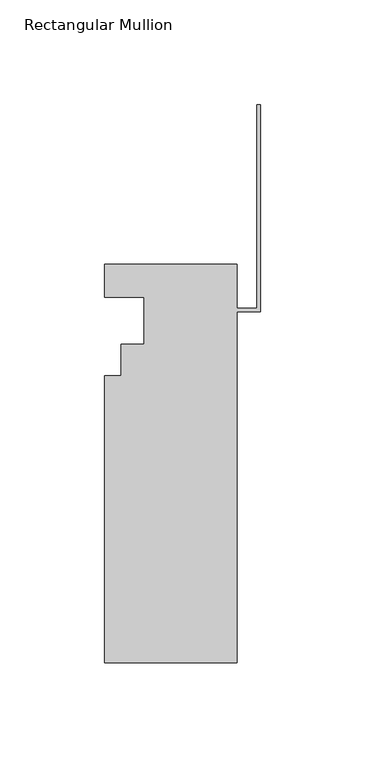
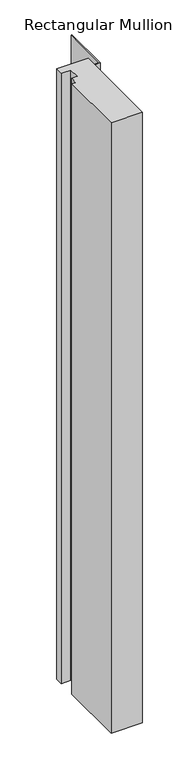
"""IFC4 building model written with IfcOpenShell, lengths in millimetres: member geometry, Rectangular Mullion."""

from ifc_helpers import new_model, si_unit, frame, origin, place, context, project, spatial, polyline, outline, extrude, source, transform, mapped, element, save


def rectangular_mullion_aa0c6634(model_context):
    return source(origin(), model_context, "Body", "SweptSolid", [
        extrude(outline(polyline([(-11.113262, -190.4007812), (-74.613262, -190.4007812), (-74.613262, -53.0629812), (-66.688462, -53.0629812), (-66.688462, -38.0007813), (-55.563262, -38.0007812), (-55.563262, -15.5217812), (-74.613262, -15.5217812), (-74.613262, 0.3532188), (-11.113262, 0.3532188), (-11.113262, -20.9065812), (-1.5748, -20.9065812), (-1.5748, 76.5843863), (0.0, 76.5843863), (0.0, -22.4813812), (-11.113262, -22.4813812), (-11.113262, -190.4007812)])), frame((0.0, 0.0, -1305.6667299), z_axis=(0.0, 0.0, 1.0), x_axis=(1.0, 0.0, 0.0)), (0.0, 0.0, 1.0), 1305.6667299),
    ])


if __name__ == "__main__":
    model = new_model("IFC4")
    model_context = context("Model", 3, world=origin())
    ifc_project = project(units=[si_unit("LENGTHUNIT", "METRE", prefix="MILLI")], contexts=[model_context])
    site = spatial("IfcSite", under=ifc_project)
    building = spatial("IfcBuilding", under=site)
    placement = place(None, origin())
    rectangular_mullion_shape = rectangular_mullion_aa0c6634(model_context)
    element("IfcMember", 1, ObjectType="Rectangular Mullion", at=placement, inside=building, context=model_context, shape_type="MappedRepresentation", body=[
        mapped(rectangular_mullion_shape, transform((0.0, 0.0, 0.0), x_axis=(1.0, 0.0, 0.0), y_axis=(0.0, 1.0, 0.0), z_axis=(0.0, 0.0, 1.0))),
    ])
    save(model, "model.ifc")
